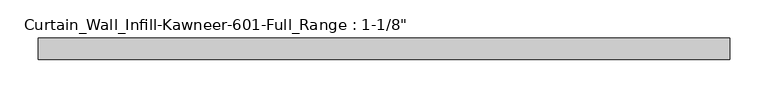
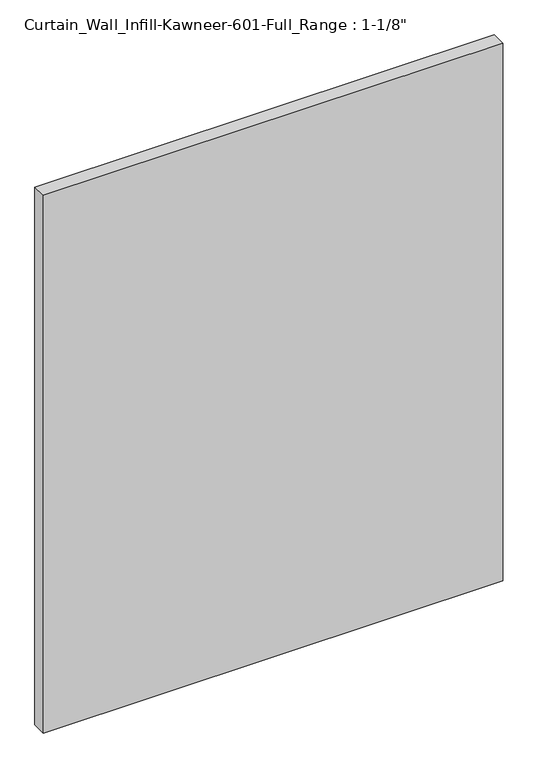
"""IFC4 building model written with IfcOpenShell, lengths in millimetres: plate geometry."""

import ifcopenshell
import ifcopenshell.guid

model = None  # the IFC model being written
_history = None  # IfcOwnerHistory: only IFC2X3 demands one
_inside = {}  # id of a spatial element -> (the spatial element, [elements in it])
_under = {}  # id of a project, library or spatial element -> (it, [spatial elements below it])
_declared = {}  # id of a project -> (the project, [libraries it declares])
_typed = {}  # id of a type object -> (the type object, [elements of that type])
_made_of = {}  # id of a material, layer set ... -> (it, [elements and type objects made of it])


def new_model(schema):
    """Start an empty IFC model of exactly this schema.

    Asked for "IFC4X3", IfcOpenShell would pick the latest addendum, in which some entities
    have other attributes; the version numbers below select the first issue.
    IFC2X3 requires an IfcOwnerHistory on every rooted entity: one is made here for all.
    """
    global model, _history
    if schema == "IFC4X3":
        model = ifcopenshell.file(schema_version=(4, 3, 0, 0))
    else:
        model = ifcopenshell.file(schema=schema)
    _inside.clear()
    _under.clear()
    _declared.clear()
    _typed.clear()
    _made_of.clear()
    _history = None
    if model.schema == "IFC2X3":
        org = make("IfcOrganization", Name="unknown")
        user = make(
            "IfcPersonAndOrganization",
            ThePerson=make("IfcPerson", FamilyName="unknown"),
            TheOrganization=org,
        )
        app = make(
            "IfcApplication",
            ApplicationDeveloper=org,
            Version="unknown",
            ApplicationFullName="unknown",
            ApplicationIdentifier="unknown",
        )
        _history = make(
            "IfcOwnerHistory",
            OwningUser=user,
            OwningApplication=app,
            ChangeAction="ADDED",
            CreationDate=0,
        )
    return model


def make(cls, **values):
    """One entity of the class cls with the attributes given. An attribute that is None is left unset."""
    return model.create_entity(
        cls, **{name: value for name, value in values.items() if value is not None}
    )


def rooted(cls, **values):
    """An entity with a GlobalId (a new one), such as an element, a storey or a relation."""
    return make(cls, GlobalId=ifcopenshell.guid.new(), OwnerHistory=_history, **values)


def si_unit(unit_type, name, prefix=None):
    """IfcSIUnit, for example si_unit("LENGTHUNIT", "METRE", prefix="MILLI")."""
    return make("IfcSIUnit", UnitType=unit_type, Prefix=prefix, Name=name)


def assignment(units):
    """IfcUnitAssignment: the units of a project."""
    return None if units is None else make("IfcUnitAssignment", Units=units)


def point(xyz):
    """IfcCartesianPoint."""
    return None if xyz is None else make("IfcCartesianPoint", Coordinates=xyz)


def direction(xyz):
    """IfcDirection."""
    return None if xyz is None else make("IfcDirection", DirectionRatios=xyz)


def frame(location, z_axis=None, x_axis=None):
    """IfcAxis2Placement3D, a coordinate frame: its origin and axes. An axis left out is left unset."""
    return make(
        "IfcAxis2Placement3D",
        Location=point(location),
        Axis=direction(z_axis),
        RefDirection=direction(x_axis),
    )


def origin():
    """The frame at (0, 0, 0) with its axes left unset."""
    return frame((0.0, 0.0, 0.0))


def origin_with_axes():
    """The frame at (0, 0, 0) with the z axis (0, 0, 1) and the x axis (1, 0, 0) written out."""
    return frame((0.0, 0.0, 0.0), z_axis=(0.0, 0.0, 1.0), x_axis=(1.0, 0.0, 0.0))


def place(relative_to, where):
    """IfcLocalPlacement: puts the frame where relative to a parent placement (None: the world)."""
    return make(
        "IfcLocalPlacement", PlacementRelTo=relative_to, RelativePlacement=where
    )


def context(
    kind, dimensions, precision=None, world=None, true_north=None, identifier=None
):
    """IfcGeometricRepresentationContext, for example the 3D "Model" context."""
    return make(
        "IfcGeometricRepresentationContext",
        ContextIdentifier=identifier,
        ContextType=kind,
        CoordinateSpaceDimension=dimensions,
        Precision=precision,
        WorldCoordinateSystem=world,
        TrueNorth=true_north,
    )


def project(units=None, contexts=None):
    """IfcProject with its units and contexts."""
    return rooted(
        "IfcProject",
        Name="project",
        RepresentationContexts=contexts,
        UnitsInContext=assignment(units),
    )


def spatial(cls, under=None, at=None, **own):
    """A site, building, storey or space (cls), placed at a placement, below another one or the project."""
    s = rooted(cls, ObjectPlacement=at, **own)
    if under is not None:
        _under.setdefault(under.id(), (under, []))[1].append(s)
    return s


def polyline(points):
    """IfcPolyline through the points."""
    return make("IfcPolyline", Points=[point(p) for p in points])


def outline(outer, holes=None, kind="AREA"):
    """IfcArbitraryClosedProfileDef: a profile drawn as a closed curve; with holes, ...WithVoids."""
    if holes is None:
        return make("IfcArbitraryClosedProfileDef", ProfileType=kind, OuterCurve=outer)
    return make(
        "IfcArbitraryProfileDefWithVoids",
        ProfileType=kind,
        OuterCurve=outer,
        InnerCurves=holes,
    )


def extrude(swept, where, along, depth):
    """IfcExtrudedAreaSolid: the profile swept, set in the frame where, extruded along a direction by depth."""
    return make(
        "IfcExtrudedAreaSolid",
        SweptArea=swept,
        Position=where,
        ExtrudedDirection=direction(along),
        Depth=depth,
    )


def shape(context_of_items, identifier, shape_type, items):
    """IfcShapeRepresentation: the items that make up one representation, for example the "Body"."""
    return make(
        "IfcShapeRepresentation",
        ContextOfItems=context_of_items,
        RepresentationIdentifier=identifier,
        RepresentationType=shape_type,
        Items=items,
    )


def source(mapping_origin, context_of_items, identifier, shape_type, items):
    """IfcRepresentationMap: a shape defined once, which mapped items show again and again."""
    return make(
        "IfcRepresentationMap",
        MappingOrigin=mapping_origin,
        MappedRepresentation=shape(context_of_items, identifier, shape_type, items),
    )


def transform(
    local_origin,
    x_axis=None,
    y_axis=None,
    z_axis=None,
    scale=None,
    scale2=None,
    scale3=None,
    uniform=True,
):
    """IfcCartesianTransformationOperator3D, or its non-uniform kind. x_axis, y_axis, z_axis: its Axis1, 2, 3."""
    if uniform:
        return make(
            "IfcCartesianTransformationOperator3D",
            Axis1=direction(x_axis),
            Axis2=direction(y_axis),
            LocalOrigin=point(local_origin),
            Scale=scale,
            Axis3=direction(z_axis),
        )
    return make(
        "IfcCartesianTransformationOperator3DnonUniform",
        Axis1=direction(x_axis),
        Axis2=direction(y_axis),
        LocalOrigin=point(local_origin),
        Scale=scale,
        Axis3=direction(z_axis),
        Scale2=scale2,
        Scale3=scale3,
    )


def mapped(mapping_source, mapping_target):
    """IfcMappedItem: shows the shape of a source again, moved by a transform."""
    return make(
        "IfcMappedItem", MappingSource=mapping_source, MappingTarget=mapping_target
    )


def made_of(thing, what):
    """Note that an element or type object is made of a material, layer set ...; save() writes the relation."""
    if what is not None:
        _made_of.setdefault(what.id(), (what, []))[1].append(thing)
    return thing


def element(
    cls,
    number,
    at=None,
    inside=None,
    cuts=None,
    type_object=None,
    material=None,
    context=None,
    identifier="Body",
    shape_type=None,
    held_by="IfcProductDefinitionShape",
    body=None,
    shapes=None,
    **own,
):
    """One element of the class cls, such as IfcWall. Its Tag is "e" and its number.

    at: its placement. inside: the storey or other place that contains it. cuts: it is an
    opening in that element (IfcRelVoidsElement). A single representation is given by context,
    identifier, shape_type and body (its items); several are given by shapes. held_by: the class
    of the entity that holds the representations. save() writes the other relations.
    """
    e = rooted(cls, Tag="e%d" % number, ObjectPlacement=at, **own)
    if body is not None:
        shapes = [shape(context, identifier, shape_type, body)]
    if shapes is not None:
        e.Representation = make(held_by, Representations=shapes)
    if inside is not None:
        _inside.setdefault(inside.id(), (inside, []))[1].append(e)
    if cuts is not None:
        rooted(
            "IfcRelVoidsElement", RelatingBuildingElement=cuts, RelatedOpeningElement=e
        )
    if type_object is not None:
        _typed.setdefault(type_object.id(), (type_object, []))[1].append(e)
    return made_of(e, material)


def aggregate(whole, parts):
    """IfcRelAggregates: a whole, such as a stair, and the parts it consists of."""
    return rooted("IfcRelAggregates", RelatingObject=whole, RelatedObjects=parts)


def save(model, path):
    """Write the relations noted so far, then the file.

    IfcRelAggregates (storeys below a building ...), IfcRelContainedInSpatialStructure (elements
    in a storey), IfcRelDefinesByType, IfcRelAssociatesMaterial and IfcRelDeclares: one each for
    every whole, place, type object, material and project.
    """
    for whole, parts in _under.values():
        aggregate(whole, parts)
    for where, things in _inside.values():
        rooted(
            "IfcRelContainedInSpatialStructure",
            RelatedElements=things,
            RelatingStructure=where,
        )
    for kind, things in _typed.values():
        rooted("IfcRelDefinesByType", RelatedObjects=things, RelatingType=kind)
    for what, things in _made_of.values():
        rooted("IfcRelAssociatesMaterial", RelatedObjects=things, RelatingMaterial=what)
    for by, libraries in _declared.values():
        rooted("IfcRelDeclares", RelatingContext=by, RelatedDefinitions=libraries)
    model.write(path)


def plate_90e3a0bb(model_context):
    return source(origin(), model_context, "Body", "SweptSolid", [
        extrude(outline(polyline([(-454.025, 14.2875), (454.025, 14.2875), (454.025, -14.2875), (-454.025, -14.2875), (-454.025, 14.2875)])), origin_with_axes(), (0.0, 0.0, 1.0), 1123.95),
    ])


if __name__ == "__main__":
    model = new_model("IFC4")
    model_context = context("Model", 3, world=origin())
    ifc_project = project(units=[si_unit("LENGTHUNIT", "METRE", prefix="MILLI")], contexts=[model_context])
    site = spatial("IfcSite", under=ifc_project)
    building = spatial("IfcBuilding", under=site)
    placement = place(None, origin())
    plate_shape = plate_90e3a0bb(model_context)
    element("IfcPlate", 1, ObjectType="Curtain_Wall_Infill-Kawneer-601-Full_Range : 1-1/8\"", at=placement, inside=building, context=model_context, shape_type="MappedRepresentation", body=[
        mapped(plate_shape, transform((0.0, 0.0, 0.0), x_axis=(1.0, 0.0, 0.0), y_axis=(0.0, 1.0, 0.0), z_axis=(0.0, 0.0, 1.0))),
    ])
    save(model, "model.ifc")
